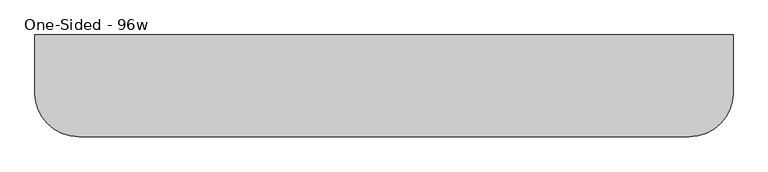
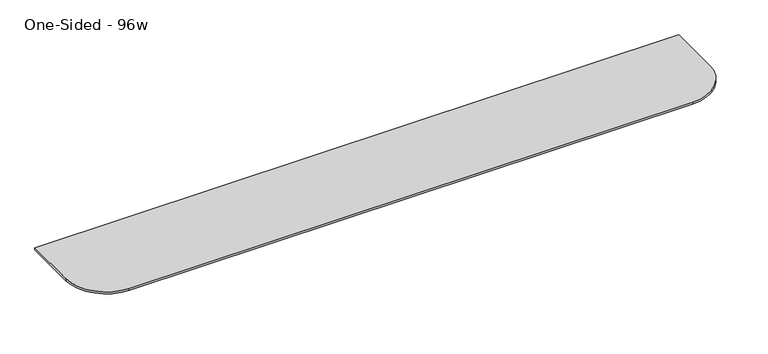
"""IFC4 building model written with IfcOpenShell, lengths in millimetres: furniture geometry, One-Sided - 96w."""

from ifc_helpers import new_model, si_unit, frame, origin, place, context, project, spatial, polyline, circle_curve, outline, extrude, source, transform, mapped, element, save
from ifc_brep_helpers import plane_surface, cylinder_surface, revolved_surface, advanced_brep


def one_sided_96w_893f2802(model_context):
    return source(origin(), model_context, "Body", "SolidModel", [
        extrude(outline(polyline([(-205.7292425, 673.1), (-345.4292425, 704.85), (-345.4292425, 711.2), (-205.7292425, 711.2), (-205.7292425, 673.1)])), frame((445.464177, 0.0, 0.0), z_axis=(1.0, 0.0, 0.0), x_axis=(0.0, 1.0, 0.0)), (0.0, 0.0, 1.0), 82.55),
        extrude(outline(polyline([(-205.7292425, 673.1), (-345.4292425, 704.85), (-345.4292425, 711.2), (-205.7292425, 711.2), (-205.7292425, 673.1)])), frame((-564.185823, 0.0, 0.0), z_axis=(1.0, 0.0, 0.0), x_axis=(0.0, 1.0, 0.0)), (0.0, 0.0, 1.0), 82.55),
        extrude(outline(polyline([(-205.7292425, 673.1), (-345.4292425, 704.85), (-345.4292425, 711.2), (-205.7292425, 711.2), (-205.7292425, 673.1)])), frame((950.289177, 0.0, 0.0), z_axis=(1.0, 0.0, 0.0), x_axis=(0.0, 1.0, 0.0)), (0.0, 0.0, 1.0), 82.55),
        extrude(outline(polyline([(-205.7292425, 673.1), (-345.4292425, 704.85), (-345.4292425, 711.2), (-205.7292425, 711.2), (-205.7292425, 673.1)])), frame((-1069.010823, 0.0, 0.0), z_axis=(1.0, 0.0, 0.0), x_axis=(0.0, 1.0, 0.0)), (0.0, 0.0, 1.0), 82.55),
        advanced_brep(
        [(-1237.285823, -307.3292425, 742.95), (-1084.885823, -459.7292425, 742.95), (1048.714177, -459.7292425, 742.95), (1201.114177, -307.3292425, 742.95), (1201.114177, -104.1292425, 742.95), (-1237.285823, -104.1292425, 742.95), (-1186.485823, -104.1292425, 711.2), (1150.314177, -104.1292425, 711.2), (1150.314177, -307.3292425, 711.2), (1048.714177, -408.9292425, 711.2), (-1084.885823, -408.9292425, 711.2), (-1186.485823, -307.3292425, 711.2), (-1237.285823, -104.1292425, 734.45116), (-1237.285823, -307.3292425, 734.45116), (-1084.885823, -459.7292425, 734.45116), (1048.714177, -459.7292425, 734.45116), (1201.114177, -307.3292425, 734.45116), (1201.114177, -104.1292425, 734.45116)],
        [
            (0, 1, circle_curve(frame((-1084.885823, -307.3292425, 742.95), z_axis=(0.0, 0.0, 1.0), x_axis=(1.0, 0.0, 0.0)), 152.4)),
            (1, 2),
            (2, 3, circle_curve(frame((1048.714177, -307.3292425, 742.95), z_axis=(0.0, 0.0, 1.0), x_axis=(1.0, 0.0, 0.0)), 152.4)),
            (3, 4),
            (4, 5),
            (5, 0),
            (6, 7),
            (7, 8),
            (8, 9, circle_curve(frame((1048.714177, -307.3292425, 711.2), z_axis=(0.0, 0.0, -1.0), x_axis=(0.0, -1.0, 0.0)), 101.6)),
            (9, 10),
            (10, 11, circle_curve(frame((-1084.885823, -307.3292425, 711.2), z_axis=(0.0, 0.0, -1.0), x_axis=(-1.0, 0.0, 0.0)), 101.6)),
            (11, 6),
            (5, 12),
            (12, 13),
            (13, 0),
            (1, 14),
            (14, 15),
            (15, 2),
            (3, 16),
            (16, 17),
            (17, 4),
            (13, 14, circle_curve(frame((-1084.885823, -307.3292425, 734.45116), z_axis=(0.0, 0.0, 1.0), x_axis=(1.0, 0.0, 0.0)), 152.4)),
            (15, 16, circle_curve(frame((1048.714177, -307.3292425, 734.45116), z_axis=(0.0, 0.0, 1.0), x_axis=(1.0, 0.0, 0.0)), 152.4)),
            (17, 7),
            (6, 12),
            (8, 16),
            (15, 9),
            (11, 13),
            (10, 14),
        ],
        [
            plane_surface(frame((-1084.885823, 73.6707575, 742.95), z_axis=(0.0, 0.0, 1.0), x_axis=(-1.0, 0.0, 0.0))),
            plane_surface(frame((-1084.885823, 73.6707575, 711.2), z_axis=(0.0, 0.0, -1.0), x_axis=(1.0, 0.0, 0.0))),
            plane_surface(frame((-1237.285823, -78.7292425, 742.95), z_axis=(-1.0, 0.0, 0.0), x_axis=(0.0, 0.0, -1.0))),
            plane_surface(frame((-1084.885823, -459.7292425, 742.95), z_axis=(0.0, -1.0, 0.0), x_axis=(0.0, 0.0, -1.0))),
            plane_surface(frame((1201.114177, -307.3292425, 742.95), z_axis=(1.0, 0.0, 0.0), x_axis=(0.0, 0.0, -1.0))),
            cylinder_surface(frame((-1084.885823, -307.3292425, 711.2), z_axis=(0.0, 0.0, 1.0), x_axis=(1.0, 0.0, 0.0)), 152.4),
            cylinder_surface(frame((1048.714177, -307.3292425, 711.2), z_axis=(0.0, 0.0, 1.0), x_axis=(1.0, 0.0, 0.0)), 152.4),
            plane_surface(frame((-1237.285823, -104.1292425, 946.15), z_axis=(0.0, 1.0, 0.0), x_axis=(0.0, 0.0, -1.0))),
            revolved_surface(polyline([(1048.714177, -325.686944, 673.1), (1048.714177, -459.7292425, 734.45116)]), (1048.714177, -307.3292425, 742.95), (0.0, 0.0, 1.0)),
            plane_surface(frame((1201.114177, -307.3292425, 734.45116), z_axis=(0.4161787475539382, 0.0, -0.9092828218351183), x_axis=(0.0, 1.0, 0.0))),
            plane_surface(frame((-1237.285823, -78.7292425, 734.45116), z_axis=(-0.4161787475539382, 0.0, -0.9092828218351183), x_axis=(0.0, -1.0, 0.0))),
            revolved_surface(polyline([(-1103.2435246, -307.3292425, 673.1), (-1237.285823, -307.3292425, 734.45116)]), (-1084.885823, -307.3292425, 742.95), (0.0, 0.0, 1.0)),
            plane_surface(frame((-1084.885823, -459.7292425, 734.45116), z_axis=(0.0, -0.4161787475539382, -0.9092828218351183), x_axis=(1.0, 0.0, 0.0))),
        ],
        [
            (0, [[1, 2, 3, 4, 5, 6]]),
            (1, [[7, 8, 9, 10, 11, 12]]),
            (2, [[-6, 13, 14, 15]]),
            (3, [[-2, 16, 17, 18]]),
            (4, [[-4, 19, 20, 21]]),
            (5, [[-1, -15, 22, -16]]),
            (6, [[-3, -18, 23, -19]]),
            (7, [[-5, -21, 24, -7, 25, -13]]),
            (8, [[26, -23, 27, -9]]),
            (9, [[-26, -8, -24, -20]]),
            (10, [[28, -14, -25, -12]]),
            (11, [[-28, -11, 29, -22]]),
            (12, [[-29, -10, -27, -17]]),
        ],
    ),
    ])


if __name__ == "__main__":
    model = new_model("IFC4")
    model_context = context("Model", 3, world=origin())
    ifc_project = project(units=[si_unit("LENGTHUNIT", "METRE", prefix="MILLI")], contexts=[model_context])
    site = spatial("IfcSite", under=ifc_project)
    building = spatial("IfcBuilding", under=site)
    placement = place(None, origin())
    one_sided_96w_shape = one_sided_96w_893f2802(model_context)
    element("IfcFurniture", 1, ObjectType="One-Sided - 96w", at=placement, inside=building, context=model_context, shape_type="MappedRepresentation", body=[
        mapped(one_sided_96w_shape, transform((0.0, 0.0, 0.0), x_axis=(1.0, 0.0, 0.0), y_axis=(0.0, 1.0, 0.0), z_axis=(0.0, 0.0, 1.0))),
    ])
    save(model, "model.ifc")
